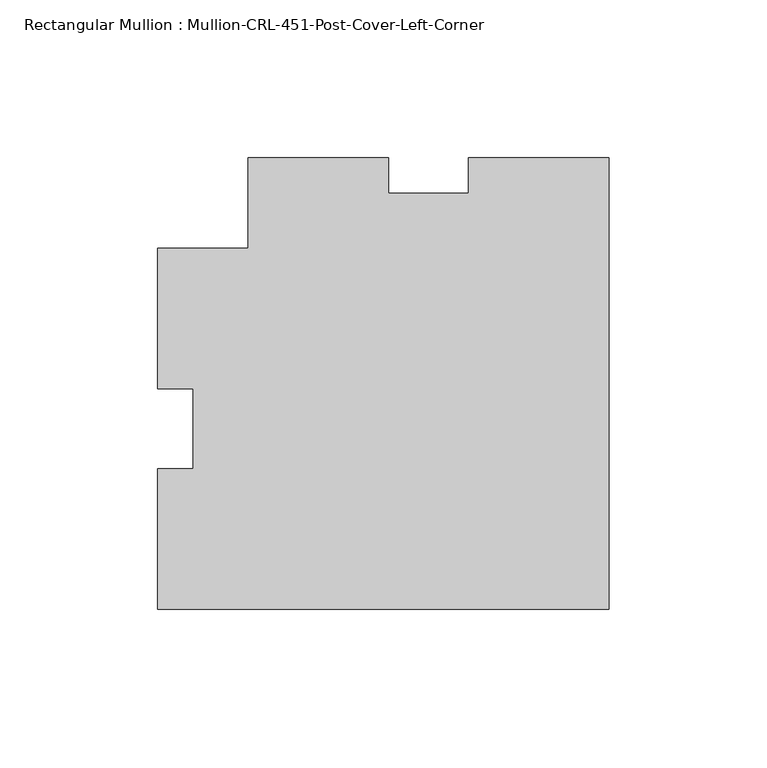
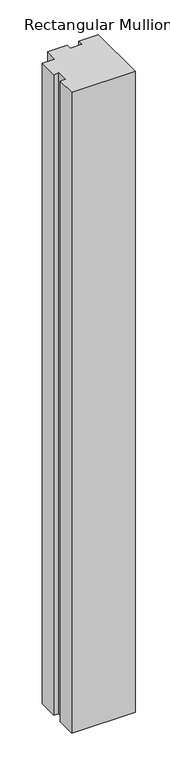
"""IFC4 building model written with IfcOpenShell, lengths in millimetres: member geometry, Rectangular Mullion : Mullion-CRL-451-Post-Cover-Left-Corner."""

from ifc_helpers import new_model, si_unit, frame, origin, place, context, project, spatial, polyline, outline, extrude, source, transform, mapped, element, save


def rectangular_mullion_mullion_crl_451_post_cover_left_corner_06e0fd36(model_context):
    return source(origin(), model_context, "Body", "SweptSolid", [
        extrude(outline(polyline([(0.0, -57.15), (-142.875, -57.15), (-142.875, -12.7), (-131.7625, -12.7), (-131.7625, 12.7), (-142.875, 12.7), (-142.875, 57.15), (-114.2999758, 57.15), (-114.2999758, 85.725), (-69.85, 85.725), (-69.85, 74.6125), (-44.45, 74.6125), (-44.45, 85.725), (0.0, 85.725), (0.0, -57.15)])), frame((0.0, 0.0, -1524.0), z_axis=(0.0, 0.0, 1.0), x_axis=(1.0, 0.0, 0.0)), (0.0, 0.0, 1.0), 1524.0),
    ])


if __name__ == "__main__":
    model = new_model("IFC4")
    model_context = context("Model", 3, world=origin())
    ifc_project = project(units=[si_unit("LENGTHUNIT", "METRE", prefix="MILLI")], contexts=[model_context])
    site = spatial("IfcSite", under=ifc_project)
    building = spatial("IfcBuilding", under=site)
    placement = place(None, origin())
    rectangular_mullion_mullion_crl_451_post_cover_left_corner_shape = rectangular_mullion_mullion_crl_451_post_cover_left_corner_06e0fd36(model_context)
    element("IfcMember", 1, ObjectType="Rectangular Mullion : Mullion-CRL-451-Post-Cover-Left-Corner", at=placement, inside=building, context=model_context, shape_type="MappedRepresentation", body=[
        mapped(rectangular_mullion_mullion_crl_451_post_cover_left_corner_shape, transform((0.0, 0.0, 0.0), x_axis=(1.0, 0.0, 0.0), y_axis=(0.0, 1.0, 0.0), z_axis=(0.0, 0.0, 1.0))),
    ])
    save(model, "model.ifc")
